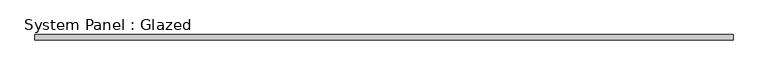
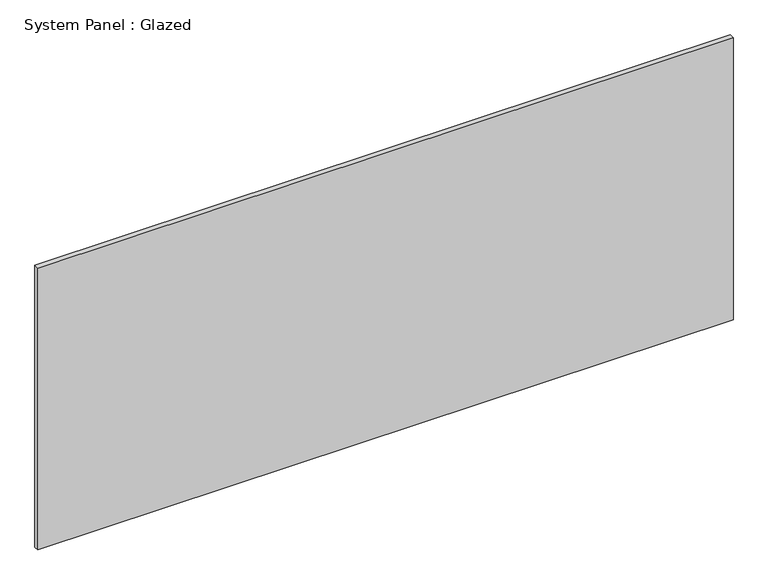
"""IFC4 building model written with IfcOpenShell, lengths in millimetres: plate geometry, System Panel : Glazed."""

from ifc_helpers import new_model, si_unit, origin, origin_with_axes, place, context, project, spatial, polyline, outline, extrude, source, transform, mapped, element, save


def system_panel_glazed_2736c475(model_context):
    return source(origin(), model_context, "Body", "SweptSolid", [
        extrude(outline(polyline([(1703.4957867, -44.45), (-1703.4957867, -44.45), (-1703.4957867, -19.05), (1703.4957867, -19.05), (1703.4957867, -44.45)])), origin_with_axes(), (0.0, 0.0, 1.0), 1460.5),
    ])


if __name__ == "__main__":
    model = new_model("IFC4")
    model_context = context("Model", 3, world=origin())
    ifc_project = project(units=[si_unit("LENGTHUNIT", "METRE", prefix="MILLI")], contexts=[model_context])
    site = spatial("IfcSite", under=ifc_project)
    building = spatial("IfcBuilding", under=site)
    placement = place(None, origin())
    system_panel_glazed_shape = system_panel_glazed_2736c475(model_context)
    element("IfcPlate", 1, ObjectType="System Panel : Glazed", at=placement, inside=building, context=model_context, shape_type="MappedRepresentation", body=[
        mapped(system_panel_glazed_shape, transform((0.0, 0.0, 0.0), x_axis=(1.0, 0.0, 0.0), y_axis=(0.0, 1.0, 0.0), z_axis=(0.0, 0.0, 1.0))),
    ])
    save(model, "model.ifc")
